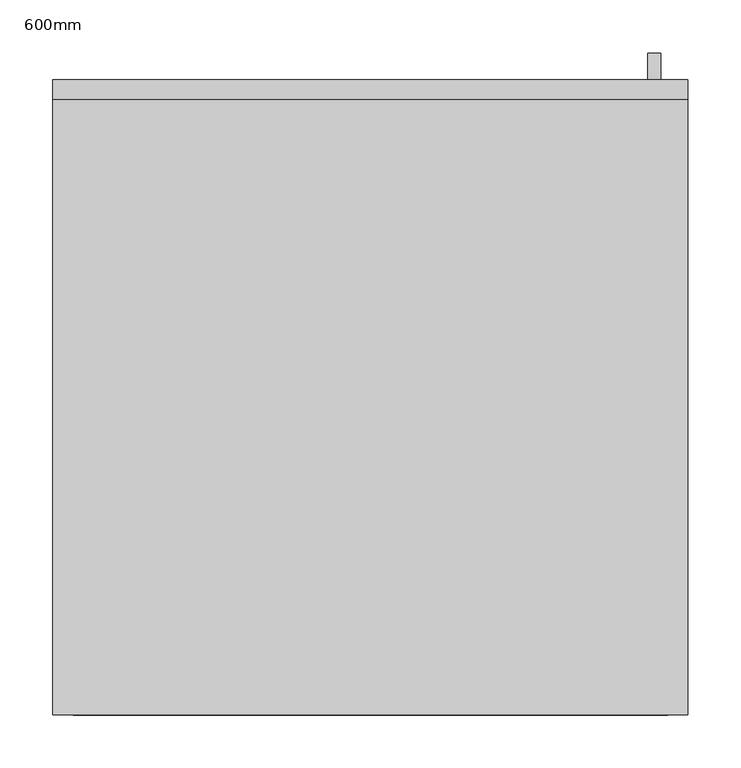
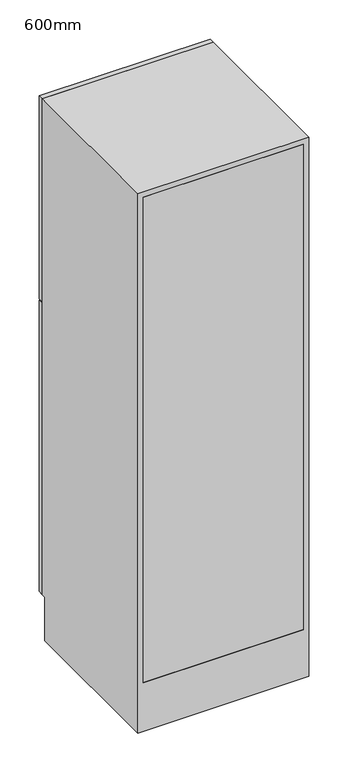
"""IFC4 building model written with IfcOpenShell, lengths in millimetres: furniture geometry, 600mm."""

import ifcopenshell
import ifcopenshell.guid

model = None  # the IFC model being written
_history = None  # IfcOwnerHistory: only IFC2X3 demands one
_inside = {}  # id of a spatial element -> (the spatial element, [elements in it])
_under = {}  # id of a project, library or spatial element -> (it, [spatial elements below it])
_declared = {}  # id of a project -> (the project, [libraries it declares])
_typed = {}  # id of a type object -> (the type object, [elements of that type])
_made_of = {}  # id of a material, layer set ... -> (it, [elements and type objects made of it])


def new_model(schema):
    """Start an empty IFC model of exactly this schema.

    Asked for "IFC4X3", IfcOpenShell would pick the latest addendum, in which some entities
    have other attributes; the version numbers below select the first issue.
    IFC2X3 requires an IfcOwnerHistory on every rooted entity: one is made here for all.
    """
    global model, _history
    if schema == "IFC4X3":
        model = ifcopenshell.file(schema_version=(4, 3, 0, 0))
    else:
        model = ifcopenshell.file(schema=schema)
    _inside.clear()
    _under.clear()
    _declared.clear()
    _typed.clear()
    _made_of.clear()
    _history = None
    if model.schema == "IFC2X3":
        org = make("IfcOrganization", Name="unknown")
        user = make(
            "IfcPersonAndOrganization",
            ThePerson=make("IfcPerson", FamilyName="unknown"),
            TheOrganization=org,
        )
        app = make(
            "IfcApplication",
            ApplicationDeveloper=org,
            Version="unknown",
            ApplicationFullName="unknown",
            ApplicationIdentifier="unknown",
        )
        _history = make(
            "IfcOwnerHistory",
            OwningUser=user,
            OwningApplication=app,
            ChangeAction="ADDED",
            CreationDate=0,
        )
    return model


def make(cls, **values):
    """One entity of the class cls with the attributes given. An attribute that is None is left unset."""
    return model.create_entity(
        cls, **{name: value for name, value in values.items() if value is not None}
    )


def rooted(cls, **values):
    """An entity with a GlobalId (a new one), such as an element, a storey or a relation."""
    return make(cls, GlobalId=ifcopenshell.guid.new(), OwnerHistory=_history, **values)


def si_unit(unit_type, name, prefix=None):
    """IfcSIUnit, for example si_unit("LENGTHUNIT", "METRE", prefix="MILLI")."""
    return make("IfcSIUnit", UnitType=unit_type, Prefix=prefix, Name=name)


def assignment(units):
    """IfcUnitAssignment: the units of a project."""
    return None if units is None else make("IfcUnitAssignment", Units=units)


def point(xyz):
    """IfcCartesianPoint."""
    return None if xyz is None else make("IfcCartesianPoint", Coordinates=xyz)


def direction(xyz):
    """IfcDirection."""
    return None if xyz is None else make("IfcDirection", DirectionRatios=xyz)


def frame(location, z_axis=None, x_axis=None):
    """IfcAxis2Placement3D, a coordinate frame: its origin and axes. An axis left out is left unset."""
    return make(
        "IfcAxis2Placement3D",
        Location=point(location),
        Axis=direction(z_axis),
        RefDirection=direction(x_axis),
    )


def origin():
    """The frame at (0, 0, 0) with its axes left unset."""
    return frame((0.0, 0.0, 0.0))


def place(relative_to, where):
    """IfcLocalPlacement: puts the frame where relative to a parent placement (None: the world)."""
    return make(
        "IfcLocalPlacement", PlacementRelTo=relative_to, RelativePlacement=where
    )


def context(
    kind, dimensions, precision=None, world=None, true_north=None, identifier=None
):
    """IfcGeometricRepresentationContext, for example the 3D "Model" context."""
    return make(
        "IfcGeometricRepresentationContext",
        ContextIdentifier=identifier,
        ContextType=kind,
        CoordinateSpaceDimension=dimensions,
        Precision=precision,
        WorldCoordinateSystem=world,
        TrueNorth=true_north,
    )


def project(units=None, contexts=None):
    """IfcProject with its units and contexts."""
    return rooted(
        "IfcProject",
        Name="project",
        RepresentationContexts=contexts,
        UnitsInContext=assignment(units),
    )


def spatial(cls, under=None, at=None, **own):
    """A site, building, storey or space (cls), placed at a placement, below another one or the project."""
    s = rooted(cls, ObjectPlacement=at, **own)
    if under is not None:
        _under.setdefault(under.id(), (under, []))[1].append(s)
    return s


def polyline(points):
    """IfcPolyline through the points."""
    return make("IfcPolyline", Points=[point(p) for p in points])


def outline(outer, holes=None, kind="AREA"):
    """IfcArbitraryClosedProfileDef: a profile drawn as a closed curve; with holes, ...WithVoids."""
    if holes is None:
        return make("IfcArbitraryClosedProfileDef", ProfileType=kind, OuterCurve=outer)
    return make(
        "IfcArbitraryProfileDefWithVoids",
        ProfileType=kind,
        OuterCurve=outer,
        InnerCurves=holes,
    )


def extrude(swept, where, along, depth):
    """IfcExtrudedAreaSolid: the profile swept, set in the frame where, extruded along a direction by depth."""
    return make(
        "IfcExtrudedAreaSolid",
        SweptArea=swept,
        Position=where,
        ExtrudedDirection=direction(along),
        Depth=depth,
    )


def faces_of(points, faces, orient=None, outer=None):
    """IfcFace entities. A face is a list of loops; a loop is a list of indices into points, from 0.

    orient and outer hold one flag for each loop. By default every Orientation is true, the
    first loop of a face is its IfcFaceOuterBound and the others are IfcFaceBound.
    """
    made = []
    for i, loops in enumerate(faces):
        bounds = []
        for j, loop in enumerate(loops):
            is_outer = j == 0 if outer is None else outer[i][j]
            bounds.append(
                make(
                    "IfcFaceOuterBound" if is_outer else "IfcFaceBound",
                    Bound=make("IfcPolyLoop", Polygon=[points[k] for k in loop]),
                    Orientation=True if orient is None else orient[i][j],
                )
            )
        made.append(make("IfcFace", Bounds=bounds))
    return made


def faceted_brep(points, faces, orient=None, outer=None, voids=None):
    """IfcFacetedBrep: a solid bounded by flat faces; with voids (closed shells), ...WithVoids."""
    shared = [point(p) for p in points]
    hull = make("IfcClosedShell", CfsFaces=faces_of(shared, faces, orient, outer))
    if voids is None:
        return make("IfcFacetedBrep", Outer=hull)
    return make(
        "IfcFacetedBrepWithVoids",
        Outer=hull,
        Voids=[
            make(cls, CfsFaces=faces_of(shared, fs, o, b)) for cls, fs, o, b in voids
        ],
    )


def shape(context_of_items, identifier, shape_type, items):
    """IfcShapeRepresentation: the items that make up one representation, for example the "Body"."""
    return make(
        "IfcShapeRepresentation",
        ContextOfItems=context_of_items,
        RepresentationIdentifier=identifier,
        RepresentationType=shape_type,
        Items=items,
    )


def source(mapping_origin, context_of_items, identifier, shape_type, items):
    """IfcRepresentationMap: a shape defined once, which mapped items show again and again."""
    return make(
        "IfcRepresentationMap",
        MappingOrigin=mapping_origin,
        MappedRepresentation=shape(context_of_items, identifier, shape_type, items),
    )


def transform(
    local_origin,
    x_axis=None,
    y_axis=None,
    z_axis=None,
    scale=None,
    scale2=None,
    scale3=None,
    uniform=True,
):
    """IfcCartesianTransformationOperator3D, or its non-uniform kind. x_axis, y_axis, z_axis: its Axis1, 2, 3."""
    if uniform:
        return make(
            "IfcCartesianTransformationOperator3D",
            Axis1=direction(x_axis),
            Axis2=direction(y_axis),
            LocalOrigin=point(local_origin),
            Scale=scale,
            Axis3=direction(z_axis),
        )
    return make(
        "IfcCartesianTransformationOperator3DnonUniform",
        Axis1=direction(x_axis),
        Axis2=direction(y_axis),
        LocalOrigin=point(local_origin),
        Scale=scale,
        Axis3=direction(z_axis),
        Scale2=scale2,
        Scale3=scale3,
    )


def mapped(mapping_source, mapping_target):
    """IfcMappedItem: shows the shape of a source again, moved by a transform."""
    return make(
        "IfcMappedItem", MappingSource=mapping_source, MappingTarget=mapping_target
    )


def made_of(thing, what):
    """Note that an element or type object is made of a material, layer set ...; save() writes the relation."""
    if what is not None:
        _made_of.setdefault(what.id(), (what, []))[1].append(thing)
    return thing


def element(
    cls,
    number,
    at=None,
    inside=None,
    cuts=None,
    type_object=None,
    material=None,
    context=None,
    identifier="Body",
    shape_type=None,
    held_by="IfcProductDefinitionShape",
    body=None,
    shapes=None,
    **own,
):
    """One element of the class cls, such as IfcWall. Its Tag is "e" and its number.

    at: its placement. inside: the storey or other place that contains it. cuts: it is an
    opening in that element (IfcRelVoidsElement). A single representation is given by context,
    identifier, shape_type and body (its items); several are given by shapes. held_by: the class
    of the entity that holds the representations. save() writes the other relations.
    """
    e = rooted(cls, Tag="e%d" % number, ObjectPlacement=at, **own)
    if body is not None:
        shapes = [shape(context, identifier, shape_type, body)]
    if shapes is not None:
        e.Representation = make(held_by, Representations=shapes)
    if inside is not None:
        _inside.setdefault(inside.id(), (inside, []))[1].append(e)
    if cuts is not None:
        rooted(
            "IfcRelVoidsElement", RelatingBuildingElement=cuts, RelatedOpeningElement=e
        )
    if type_object is not None:
        _typed.setdefault(type_object.id(), (type_object, []))[1].append(e)
    return made_of(e, material)


def aggregate(whole, parts):
    """IfcRelAggregates: a whole, such as a stair, and the parts it consists of."""
    return rooted("IfcRelAggregates", RelatingObject=whole, RelatedObjects=parts)


def save(model, path):
    """Write the relations noted so far, then the file.

    IfcRelAggregates (storeys below a building ...), IfcRelContainedInSpatialStructure (elements
    in a storey), IfcRelDefinesByType, IfcRelAssociatesMaterial and IfcRelDeclares: one each for
    every whole, place, type object, material and project.
    """
    for whole, parts in _under.values():
        aggregate(whole, parts)
    for where, things in _inside.values():
        rooted(
            "IfcRelContainedInSpatialStructure",
            RelatedElements=things,
            RelatingStructure=where,
        )
    for kind, things in _typed.values():
        rooted("IfcRelDefinesByType", RelatedObjects=things, RelatingType=kind)
    for what, things in _made_of.values():
        rooted("IfcRelAssociatesMaterial", RelatedObjects=things, RelatingMaterial=what)
    for by, libraries in _declared.values():
        rooted("IfcRelDeclares", RelatingContext=by, RelatedDefinitions=libraries)
    model.write(path)


def furniture_600mm_e06024f3(model_context):
    return source(origin(), model_context, "Body", "SolidModel", [
        faceted_brep([(318.7377049, 580.95, 161.5875), (-281.2622951, 580.95, 161.5875), (-281.2622951, 580.95, 2000.0), (318.7377049, 580.95, 2000.0), (299.6877049, 580.95, 1980.95), (-262.2122951, 580.95, 1980.95), (-262.2122951, 580.95, 180.6375), (299.6877049, 580.95, 180.6375), (-281.2622951, 0.0, 2000.0), (-281.2622951, 0.0, 0.0), (318.7377049, 0.0, 0.0), (318.7377049, 0.0, 2000.0), (299.6877049, 0.0, 1980.95), (299.6877049, 0.0, 180.6375), (-262.2122951, 0.0, 180.6375), (-262.2122951, 0.0, 1980.95), (318.7377049, 565.0, 0.0), (318.7377049, 565.0, 161.5875), (-281.2622951, 565.0, 161.5875), (-281.2622951, 565.0, 0.0)], [[[0, 1, 2, 3], [4, 5, 6, 7]], [[8, 9, 10, 11], [12, 13, 14, 15]], [[3, 11, 10, 16, 17, 0]], [[2, 8, 11, 3]], [[1, 18, 19, 9, 8, 2]], [[0, 17, 18, 1]], [[7, 13, 12, 4]], [[6, 14, 13, 7]], [[5, 15, 14, 6]], [[4, 12, 15, 5]], [[10, 9, 19, 16]], [[19, 18, 17, 16]]]),
        extrude(outline(polyline([(293.3377049, 625.4), (293.3377049, 600.0), (280.8054733, 600.0), (280.8054733, 625.4), (293.3377049, 625.4)])), frame((0.0, 0.0, 1269.9480367), z_axis=(0.0, 0.0, 1.0), x_axis=(1.0, 0.0, 0.0)), (0.0, 0.0, 1.0), 101.6),
        extrude(outline(polyline([(293.3377049, 625.4), (293.3377049, 600.0), (280.8054733, 600.0), (280.8054733, 625.4), (293.3377049, 625.4)])), frame((0.0, 0.0, 1117.5480367), z_axis=(0.0, 0.0, 1.0), x_axis=(1.0, 0.0, 0.0)), (0.0, 0.0, 1.0), 101.6),
        extrude(outline(polyline([(255.2377049, 587.3), (255.2377049, 580.95), (-217.7622951, 580.95), (-217.7622951, 587.3), (255.2377049, 587.3)])), frame((0.0, 0.0, 1308.0480367), z_axis=(0.0, 0.0, 1.0), x_axis=(1.0, 0.0, 0.0)), (0.0, 0.0, 1.0), 628.4519633),
        extrude(outline(polyline([(255.2377049, 587.3), (255.2377049, 580.95), (-217.7622951, 580.95), (-217.7622951, 587.3), (255.2377049, 587.3)])), frame((0.0, 0.0, 225.0875), z_axis=(0.0, 0.0, 1.0), x_axis=(1.0, 0.0, 0.0)), (0.0, 0.0, 1.0), 955.9605367),
        extrude(outline(polyline([(2000.0, 318.7377049), (2000.0, -281.2622951), (1247.7230367, -281.2622951), (1247.7230367, 318.7377049), (2000.0, 318.7377049)]), holes=[polyline([(1936.5, 255.2377049), (1308.0480367, 255.2377049), (1308.0480367, -217.7622951), (1936.5, -217.7622951), (1936.5, 255.2377049)])]), frame((0.0, 580.95, 0.0), z_axis=(0.0, 1.0, 0.0), x_axis=(0.0, 0.0, 1.0)), (0.0, 0.0, 1.0), 19.05),
        extrude(outline(polyline([(161.5875, 318.7377049), (1241.3730367, 318.7377049), (1241.3730367, -281.2622951), (161.5875, -281.2622951), (161.5875, 318.7377049)]), holes=[polyline([(1181.0480367, 255.2377049), (225.0875, 255.2377049), (225.0875, -217.7622951), (1181.0480367, -217.7622951), (1181.0480367, 255.2377049)])]), frame((0.0, 580.95, 0.0), z_axis=(0.0, 1.0, 0.0), x_axis=(0.0, 0.0, 1.0)), (0.0, 0.0, 1.0), 19.05),
        extrude(outline(polyline([(299.6877049, 19.05), (299.6877049, 0.0), (-262.2122951, 0.0), (-262.2122951, 19.05), (299.6877049, 19.05)])), frame((0.0, 0.0, 180.6375), z_axis=(0.0, 0.0, 1.0), x_axis=(1.0, 0.0, 0.0)), (0.0, 0.0, 1.0), 1800.3125),
    ])


if __name__ == "__main__":
    model = new_model("IFC4")
    model_context = context("Model", 3, world=origin())
    ifc_project = project(units=[si_unit("LENGTHUNIT", "METRE", prefix="MILLI")], contexts=[model_context])
    site = spatial("IfcSite", under=ifc_project)
    building = spatial("IfcBuilding", under=site)
    placement = place(None, origin())
    furniture_600mm_shape = furniture_600mm_e06024f3(model_context)
    element("IfcFurniture", 1, ObjectType="600mm", at=placement, inside=building, context=model_context, shape_type="MappedRepresentation", body=[
        mapped(furniture_600mm_shape, transform((0.0, 0.0, 0.0), x_axis=(1.0, 0.0, 0.0), y_axis=(0.0, 1.0, 0.0), z_axis=(0.0, 0.0, 1.0))),
    ])
    save(model, "model.ifc")
